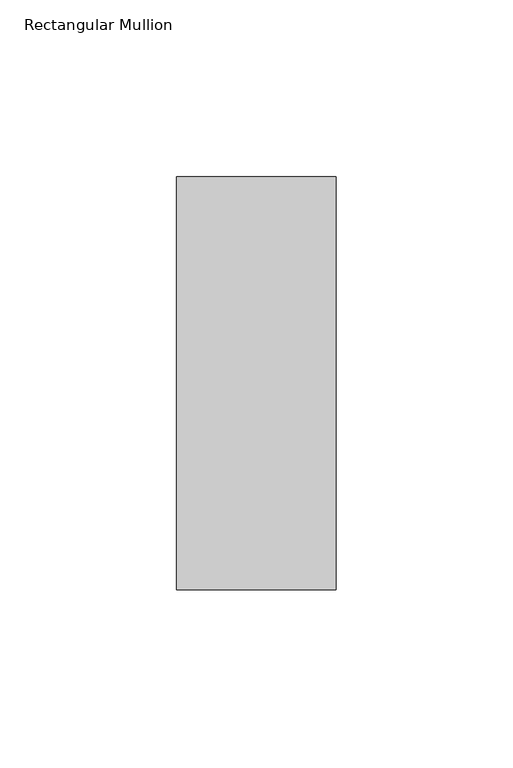
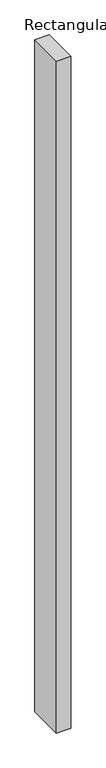
"""IFC4 building model written with IfcOpenShell, lengths in millimetres: member geometry, Rectangular Mullion."""

import ifcopenshell
import ifcopenshell.guid

model = None  # the IFC model being written
_history = None  # IfcOwnerHistory: only IFC2X3 demands one
_inside = {}  # id of a spatial element -> (the spatial element, [elements in it])
_under = {}  # id of a project, library or spatial element -> (it, [spatial elements below it])
_declared = {}  # id of a project -> (the project, [libraries it declares])
_typed = {}  # id of a type object -> (the type object, [elements of that type])
_made_of = {}  # id of a material, layer set ... -> (it, [elements and type objects made of it])


def new_model(schema):
    """Start an empty IFC model of exactly this schema.

    Asked for "IFC4X3", IfcOpenShell would pick the latest addendum, in which some entities
    have other attributes; the version numbers below select the first issue.
    IFC2X3 requires an IfcOwnerHistory on every rooted entity: one is made here for all.
    """
    global model, _history
    if schema == "IFC4X3":
        model = ifcopenshell.file(schema_version=(4, 3, 0, 0))
    else:
        model = ifcopenshell.file(schema=schema)
    _inside.clear()
    _under.clear()
    _declared.clear()
    _typed.clear()
    _made_of.clear()
    _history = None
    if model.schema == "IFC2X3":
        org = make("IfcOrganization", Name="unknown")
        user = make(
            "IfcPersonAndOrganization",
            ThePerson=make("IfcPerson", FamilyName="unknown"),
            TheOrganization=org,
        )
        app = make(
            "IfcApplication",
            ApplicationDeveloper=org,
            Version="unknown",
            ApplicationFullName="unknown",
            ApplicationIdentifier="unknown",
        )
        _history = make(
            "IfcOwnerHistory",
            OwningUser=user,
            OwningApplication=app,
            ChangeAction="ADDED",
            CreationDate=0,
        )
    return model


def make(cls, **values):
    """One entity of the class cls with the attributes given. An attribute that is None is left unset."""
    return model.create_entity(
        cls, **{name: value for name, value in values.items() if value is not None}
    )


def rooted(cls, **values):
    """An entity with a GlobalId (a new one), such as an element, a storey or a relation."""
    return make(cls, GlobalId=ifcopenshell.guid.new(), OwnerHistory=_history, **values)


def si_unit(unit_type, name, prefix=None):
    """IfcSIUnit, for example si_unit("LENGTHUNIT", "METRE", prefix="MILLI")."""
    return make("IfcSIUnit", UnitType=unit_type, Prefix=prefix, Name=name)


def assignment(units):
    """IfcUnitAssignment: the units of a project."""
    return None if units is None else make("IfcUnitAssignment", Units=units)


def point(xyz):
    """IfcCartesianPoint."""
    return None if xyz is None else make("IfcCartesianPoint", Coordinates=xyz)


def direction(xyz):
    """IfcDirection."""
    return None if xyz is None else make("IfcDirection", DirectionRatios=xyz)


def frame(location, z_axis=None, x_axis=None):
    """IfcAxis2Placement3D, a coordinate frame: its origin and axes. An axis left out is left unset."""
    return make(
        "IfcAxis2Placement3D",
        Location=point(location),
        Axis=direction(z_axis),
        RefDirection=direction(x_axis),
    )


def origin():
    """The frame at (0, 0, 0) with its axes left unset."""
    return frame((0.0, 0.0, 0.0))


def place(relative_to, where):
    """IfcLocalPlacement: puts the frame where relative to a parent placement (None: the world)."""
    return make(
        "IfcLocalPlacement", PlacementRelTo=relative_to, RelativePlacement=where
    )


def context(
    kind, dimensions, precision=None, world=None, true_north=None, identifier=None
):
    """IfcGeometricRepresentationContext, for example the 3D "Model" context."""
    return make(
        "IfcGeometricRepresentationContext",
        ContextIdentifier=identifier,
        ContextType=kind,
        CoordinateSpaceDimension=dimensions,
        Precision=precision,
        WorldCoordinateSystem=world,
        TrueNorth=true_north,
    )


def project(units=None, contexts=None):
    """IfcProject with its units and contexts."""
    return rooted(
        "IfcProject",
        Name="project",
        RepresentationContexts=contexts,
        UnitsInContext=assignment(units),
    )


def spatial(cls, under=None, at=None, **own):
    """A site, building, storey or space (cls), placed at a placement, below another one or the project."""
    s = rooted(cls, ObjectPlacement=at, **own)
    if under is not None:
        _under.setdefault(under.id(), (under, []))[1].append(s)
    return s


def polyline(points):
    """IfcPolyline through the points."""
    return make("IfcPolyline", Points=[point(p) for p in points])


def outline(outer, holes=None, kind="AREA"):
    """IfcArbitraryClosedProfileDef: a profile drawn as a closed curve; with holes, ...WithVoids."""
    if holes is None:
        return make("IfcArbitraryClosedProfileDef", ProfileType=kind, OuterCurve=outer)
    return make(
        "IfcArbitraryProfileDefWithVoids",
        ProfileType=kind,
        OuterCurve=outer,
        InnerCurves=holes,
    )


def extrude(swept, where, along, depth):
    """IfcExtrudedAreaSolid: the profile swept, set in the frame where, extruded along a direction by depth."""
    return make(
        "IfcExtrudedAreaSolid",
        SweptArea=swept,
        Position=where,
        ExtrudedDirection=direction(along),
        Depth=depth,
    )


def shape(context_of_items, identifier, shape_type, items):
    """IfcShapeRepresentation: the items that make up one representation, for example the "Body"."""
    return make(
        "IfcShapeRepresentation",
        ContextOfItems=context_of_items,
        RepresentationIdentifier=identifier,
        RepresentationType=shape_type,
        Items=items,
    )


def source(mapping_origin, context_of_items, identifier, shape_type, items):
    """IfcRepresentationMap: a shape defined once, which mapped items show again and again."""
    return make(
        "IfcRepresentationMap",
        MappingOrigin=mapping_origin,
        MappedRepresentation=shape(context_of_items, identifier, shape_type, items),
    )


def transform(
    local_origin,
    x_axis=None,
    y_axis=None,
    z_axis=None,
    scale=None,
    scale2=None,
    scale3=None,
    uniform=True,
):
    """IfcCartesianTransformationOperator3D, or its non-uniform kind. x_axis, y_axis, z_axis: its Axis1, 2, 3."""
    if uniform:
        return make(
            "IfcCartesianTransformationOperator3D",
            Axis1=direction(x_axis),
            Axis2=direction(y_axis),
            LocalOrigin=point(local_origin),
            Scale=scale,
            Axis3=direction(z_axis),
        )
    return make(
        "IfcCartesianTransformationOperator3DnonUniform",
        Axis1=direction(x_axis),
        Axis2=direction(y_axis),
        LocalOrigin=point(local_origin),
        Scale=scale,
        Axis3=direction(z_axis),
        Scale2=scale2,
        Scale3=scale3,
    )


def mapped(mapping_source, mapping_target):
    """IfcMappedItem: shows the shape of a source again, moved by a transform."""
    return make(
        "IfcMappedItem", MappingSource=mapping_source, MappingTarget=mapping_target
    )


def made_of(thing, what):
    """Note that an element or type object is made of a material, layer set ...; save() writes the relation."""
    if what is not None:
        _made_of.setdefault(what.id(), (what, []))[1].append(thing)
    return thing


def element(
    cls,
    number,
    at=None,
    inside=None,
    cuts=None,
    type_object=None,
    material=None,
    context=None,
    identifier="Body",
    shape_type=None,
    held_by="IfcProductDefinitionShape",
    body=None,
    shapes=None,
    **own,
):
    """One element of the class cls, such as IfcWall. Its Tag is "e" and its number.

    at: its placement. inside: the storey or other place that contains it. cuts: it is an
    opening in that element (IfcRelVoidsElement). A single representation is given by context,
    identifier, shape_type and body (its items); several are given by shapes. held_by: the class
    of the entity that holds the representations. save() writes the other relations.
    """
    e = rooted(cls, Tag="e%d" % number, ObjectPlacement=at, **own)
    if body is not None:
        shapes = [shape(context, identifier, shape_type, body)]
    if shapes is not None:
        e.Representation = make(held_by, Representations=shapes)
    if inside is not None:
        _inside.setdefault(inside.id(), (inside, []))[1].append(e)
    if cuts is not None:
        rooted(
            "IfcRelVoidsElement", RelatingBuildingElement=cuts, RelatedOpeningElement=e
        )
    if type_object is not None:
        _typed.setdefault(type_object.id(), (type_object, []))[1].append(e)
    return made_of(e, material)


def aggregate(whole, parts):
    """IfcRelAggregates: a whole, such as a stair, and the parts it consists of."""
    return rooted("IfcRelAggregates", RelatingObject=whole, RelatedObjects=parts)


def save(model, path):
    """Write the relations noted so far, then the file.

    IfcRelAggregates (storeys below a building ...), IfcRelContainedInSpatialStructure (elements
    in a storey), IfcRelDefinesByType, IfcRelAssociatesMaterial and IfcRelDeclares: one each for
    every whole, place, type object, material and project.
    """
    for whole, parts in _under.values():
        aggregate(whole, parts)
    for where, things in _inside.values():
        rooted(
            "IfcRelContainedInSpatialStructure",
            RelatedElements=things,
            RelatingStructure=where,
        )
    for kind, things in _typed.values():
        rooted("IfcRelDefinesByType", RelatedObjects=things, RelatingType=kind)
    for what, things in _made_of.values():
        rooted("IfcRelAssociatesMaterial", RelatedObjects=things, RelatingMaterial=what)
    for by, libraries in _declared.values():
        rooted("IfcRelDeclares", RelatingContext=by, RelatedDefinitions=libraries)
    model.write(path)


def rectangular_mullion_8ebef8e7(model_context):
    return source(origin(), model_context, "Body", "SweptSolid", [
        extrude(outline(polyline([(-45.0453125, 73.875), (0.0, 73.875), (0.0, -42.8257813), (-45.0453125, -42.8257813), (-45.0453125, 73.875)])), frame((0.0, 0.0, -2225.6663238), z_axis=(0.0, 0.0, 1.0), x_axis=(1.0, 0.0, 0.0)), (0.0, 0.0, 1.0), 2225.6663238),
    ])


if __name__ == "__main__":
    model = new_model("IFC4")
    model_context = context("Model", 3, world=origin())
    ifc_project = project(units=[si_unit("LENGTHUNIT", "METRE", prefix="MILLI")], contexts=[model_context])
    site = spatial("IfcSite", under=ifc_project)
    building = spatial("IfcBuilding", under=site)
    placement = place(None, origin())
    rectangular_mullion_shape = rectangular_mullion_8ebef8e7(model_context)
    element("IfcMember", 1, ObjectType="Rectangular Mullion", at=placement, inside=building, context=model_context, shape_type="MappedRepresentation", body=[
        mapped(rectangular_mullion_shape, transform((0.0, 0.0, 0.0), x_axis=(1.0, 0.0, 0.0), y_axis=(0.0, 1.0, 0.0), z_axis=(0.0, 0.0, 1.0))),
    ])
    save(model, "model.ifc")
